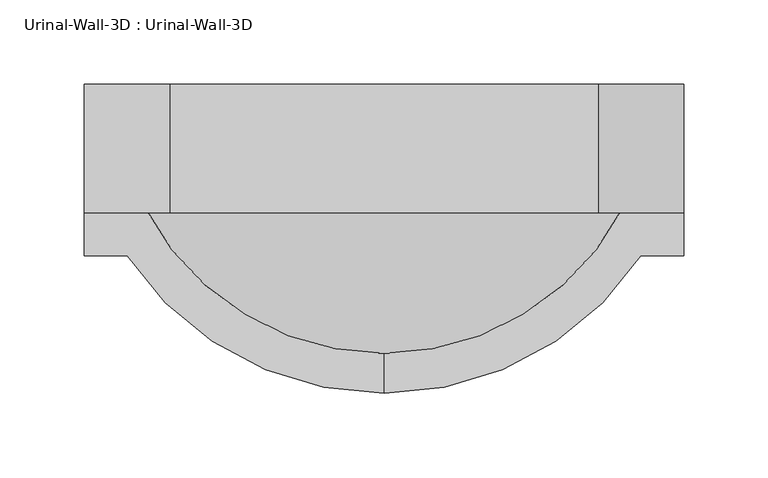
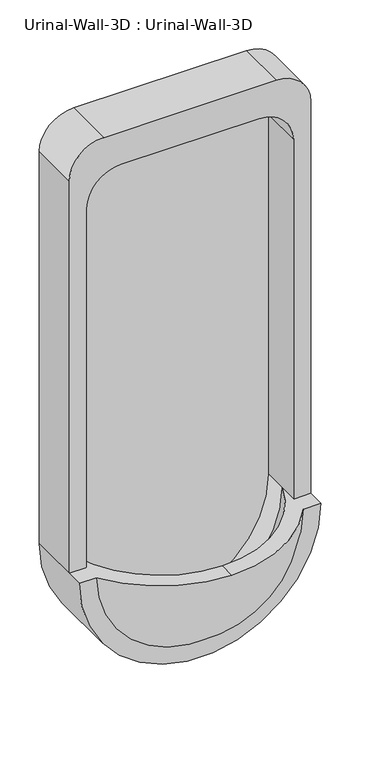
"""IFC4 building model written with IfcOpenShell, lengths in millimetres: flow terminal geometry, Urinal-Wall-3D : Urinal-Wall-3D."""

from ifc_helpers import new_model, si_unit, point, frame, origin, place, context, project, spatial, polyline, circle_curve, ellipse_curve, trimmed, source, transform, mapped, element, save
from ifc_brep_helpers import plane_surface, cylinder_surface, revolved_surface, advanced_brep


def urinal_wall_3d_urinal_wall_3d_4de3f5ba(model_context):
    return source(origin(), model_context, "Body", "AdvancedBrep", [
        advanced_brep(
        [(-109.0745999, -245.0745048, 609.6), (43.3254001, -163.5125, 609.6), (68.7254001, -163.5125, 609.6), (68.7254001, -138.1125, 609.6), (43.3254001, -138.1125, 609.6), (43.3254001, -108.7831063, 609.6), (-109.0745999, -221.3572043, 609.6), (-261.4745999, -108.7831063, 609.6), (-261.4745999, -138.1125, 609.6), (-286.8745999, -138.1125, 609.6), (-286.8745999, -163.5125, 609.6), (-261.4745999, -163.5125, 609.6), (43.3254001, -74.6125, 609.6), (-261.4745999, -74.6125, 609.6), (-286.8745999, -61.9125, 609.6), (-286.8745999, -61.9125, 1219.2), (-236.0745999, -61.9125, 1270.0), (17.9254001, -61.9125, 1270.0), (68.7254001, -61.9125, 1219.2), (68.7254001, -61.9125, 609.6), (68.7254001, -138.1125, 1219.2), (17.9254001, -138.1125, 1270.0), (-236.0745999, -138.1125, 1270.0), (-286.8745999, -138.1125, 1219.2), (-261.4745999, -138.1125, 1168.4), (-210.6745999, -138.1125, 1219.2), (-7.4745999, -138.1125, 1219.2), (43.3254001, -138.1125, 1168.4), (43.3254001, -74.6125, 1168.4), (-7.4745999, -74.6125, 1219.2), (-210.6745999, -74.6125, 1219.2), (-261.4745999, -74.6125, 1168.4)],
        [
            (0, 1, circle_curve(frame((-109.0745999, -61.9125, 609.6), z_axis=(0.0, 0.0, 1.0), x_axis=(1.0, 0.0, 0.0)), 183.1620048)),
            (1, 2),
            (2, 3),
            (3, 4),
            (4, 5),
            (5, 6, circle_curve(frame((-109.0745999, -61.9125, 609.6), z_axis=(0.0, 0.0, -1.0), x_axis=(1.0, 0.0, 0.0)), 159.4447043)),
            (6, 0),
            (6, 7, circle_curve(frame((-109.0745999, -61.9125, 609.6), z_axis=(0.0, 0.0, -1.0), x_axis=(-1.0, 0.0, 0.0)), 159.4447043)),
            (7, 8),
            (8, 9),
            (9, 10),
            (10, 11),
            (11, 0, circle_curve(frame((-109.0745999, -61.9125, 609.6), z_axis=(0.0, 0.0, 1.0), x_axis=(-1.0, 0.0, 0.0)), 183.1620048)),
            (5, 7, circle_curve(frame((-109.0745999, -108.7831063, 609.6), z_axis=(0.0, 1.0, 0.0), x_axis=(1.0, 0.0, 0.0)), 152.4)),
            (5, 12),
            (12, 13, circle_curve(frame((-109.0745999, -74.6125, 609.6), z_axis=(0.0, 1.0, 0.0), x_axis=(1.0, 0.0, 0.0)), 152.4)),
            (13, 7),
            (14, 15),
            (15, 16, circle_curve(frame((-236.0745999, -61.9125, 1219.2), z_axis=(0.0, 1.0, 0.0), x_axis=(-1.0, 0.0, 0.0)), 50.8)),
            (16, 17),
            (17, 18, circle_curve(frame((17.9254001, -61.9125, 1219.2), z_axis=(0.0, 1.0, 0.0), x_axis=(-1.0, 0.0, 0.0)), 50.8)),
            (18, 19),
            (19, 14, circle_curve(frame((-109.0745999, -61.9125, 609.6), z_axis=(0.0, 1.0, 0.0), x_axis=(1.0, 0.0, 0.0)), 177.8)),
            (19, 3),
            (2, 10, circle_curve(frame((-109.0745999, -163.5125, 609.6), z_axis=(0.0, 1.0, 0.0), x_axis=(1.0, 0.0, 0.0)), 177.8)),
            (9, 14),
            (1, 11, circle_curve(frame((-109.0745999, -163.5125, 609.6), z_axis=(0.0, 1.0, 0.0), x_axis=(1.0, 0.0, 0.0)), 152.4)),
            (3, 20),
            (20, 21, circle_curve(frame((17.9254001, -138.1125, 1219.2), z_axis=(0.0, -1.0, 0.0), x_axis=(-1.0, 0.0, 0.0)), 50.8)),
            (21, 22),
            (22, 23, circle_curve(frame((-236.0745999, -138.1125, 1219.2), z_axis=(0.0, -1.0, 0.0), x_axis=(-1.0, 0.0, 0.0)), 50.8)),
            (23, 9),
            (8, 24),
            (24, 25, circle_curve(frame((-210.6745999, -138.1125, 1168.4), z_axis=(0.0, 1.0, 0.0), x_axis=(-1.0, 0.0, 0.0)), 50.8)),
            (25, 26),
            (26, 27, circle_curve(frame((-7.4745999, -138.1125, 1168.4), z_axis=(0.0, 1.0, 0.0), x_axis=(-1.0, 0.0, 0.0)), 50.8)),
            (27, 4),
            (27, 28),
            (28, 12),
            (26, 29),
            (29, 28, circle_curve(frame((-7.4745999, -74.6125, 1168.4), z_axis=(0.0, 1.0, 0.0), x_axis=(-1.0, 0.0, 0.0)), 50.8)),
            (25, 30),
            (30, 29),
            (24, 31),
            (31, 30, circle_curve(frame((-210.6745999, -74.6125, 1168.4), z_axis=(0.0, 1.0, 0.0), x_axis=(-1.0, 0.0, 0.0)), 50.8)),
            (13, 31),
            (23, 15),
            (22, 16),
            (21, 17),
            (20, 18),
        ],
        [
            plane_surface(frame((-109.0745999, -351.1229173, 609.6), z_axis=(0.0, 0.0, 1.0), x_axis=(1.0, 0.0, 0.0))),
            plane_surface(frame((-109.0745999, -351.1229173, 609.6), z_axis=(0.0, 0.0, 1.0), x_axis=(-1.0, 0.0, 0.0))),
            revolved_surface(trimmed(ellipse_curve(frame((-109.0745999, -61.9125, 609.6), z_axis=(0.0, 0.0, 1.0), x_axis=(1.0, 0.0, 0.0)), 159.4447043, 159.4447043), [point((-109.0745999, -221.3572043, 609.6))], [point((43.3254001, -108.7831063, 609.6))], True, "CARTESIAN"), (-109.0745999, -351.1229173, 609.6), (0.0, -1.0, 0.0)),
            revolved_surface(polyline([(43.32540010000001, -108.78310629999999, 609.6), (43.32540010000001, -74.61250000000001, 609.6)]), (-109.0745999, -351.1229173, 609.6), (0.0, -1.0, 0.0)),
            plane_surface(frame((-109.0745999, -61.9125, 609.6), z_axis=(0.0, 1.0, 0.0), x_axis=(1.0, 0.0, 0.0))),
            cylinder_surface(frame((-109.0745999, -351.1229173, 609.6), z_axis=(0.0, -1.0, 0.0), x_axis=(1.0, 0.0, 0.0)), 177.8),
            plane_surface(frame((-109.0745999, -163.5125, 609.6), z_axis=(0.0, -1.0, 0.0), x_axis=(1.0, 0.0, 0.0))),
            revolved_surface(trimmed(ellipse_curve(frame((-109.0745999, -61.9125, 609.6), z_axis=(0.0, 0.0, -1.0), x_axis=(1.0, 0.0, 0.0)), 183.1620048, 183.1620048), [point((43.3254001, -163.5125, 609.6))], [point((-109.0745999, -245.0745048, 609.6))], True, "CARTESIAN"), (-109.0745999, -351.1229173, 609.6), (0.0, -1.0, 0.0)),
            plane_surface(frame((43.3254001, -138.1125, 609.6), z_axis=(0.0, -1.0, 0.0), x_axis=(0.0, 0.0, 1.0))),
            plane_surface(frame((43.3254001, -138.1125, 609.6), z_axis=(-1.0, 0.0, 0.0), x_axis=(0.0, 1.0, 0.0))),
            revolved_surface(polyline([(-58.2745999, -74.6125, 1168.4), (-58.2745999, -138.1125, 1168.4)]), (-7.4745999, -61.9125, 1168.4), (0.0, 1.0, 0.0)),
            plane_surface(frame((-7.4745999, -138.1125, 1219.2), z_axis=(0.0, 0.0, -1.0), x_axis=(0.0, 1.0, 0.0))),
            revolved_surface(polyline([(-261.4745999, -74.6125, 1168.4), (-261.4745999, -138.1125, 1168.4)]), (-210.6745999, -61.9125, 1168.4), (0.0, 1.0, 0.0)),
            plane_surface(frame((-261.4745999, -138.1125, 1168.4), z_axis=(1.0, 0.0, 0.0), x_axis=(0.0, 1.0, 0.0))),
            plane_surface(frame((-286.8745999, -138.1125, 609.6), z_axis=(-1.0, 0.0, 0.0), x_axis=(0.0, 1.0, 0.0))),
            cylinder_surface(frame((-236.0745999, -61.9125, 1219.2), z_axis=(0.0, -1.0, 0.0), x_axis=(-1.0, 0.0, 0.0)), 50.8),
            plane_surface(frame((-236.0745999, -138.1125, 1270.0), z_axis=(0.0, 0.0, 1.0), x_axis=(0.0, 1.0, 0.0))),
            cylinder_surface(frame((17.9254001, -61.9125, 1219.2), z_axis=(0.0, -1.0, 0.0), x_axis=(-1.0, 0.0, 0.0)), 50.8),
            plane_surface(frame((68.7254001, -138.1125, 1219.2), z_axis=(1.0, 0.0, 0.0), x_axis=(0.0, 1.0, 0.0))),
            plane_surface(frame((43.3254001, -74.6125, 609.6), z_axis=(0.0, -1.0, 0.0), x_axis=(0.0, 0.0, -1.0))),
        ],
        [
            (0, [[1, 2, 3, 4, 5, 6, 7]]),
            (1, [[8, 9, 10, 11, 12, 13, -7]]),
            (2, [[14, -8, -6]]),
            (3, [[15, 16, 17, -14]]),
            (4, [[18, 19, 20, 21, 22, 23]]),
            (5, [[24, -3, 25, -11, 26, -23]]),
            (6, [[27, -12, -25, -2]]),
            (7, [[-13, -27, -1]]),
            (8, [[-4, 28, 29, 30, 31, 32, -10, 33, 34, 35, 36, 37]]),
            (9, [[38, 39, -15, -5, -37]]),
            (10, [[40, 41, -38, -36]]),
            (11, [[42, 43, -40, -35]]),
            (12, [[44, 45, -42, -34]]),
            (13, [[-9, -17, 46, -44, -33]]),
            (14, [[47, -18, -26, -32]]),
            (15, [[48, -19, -47, -31]]),
            (16, [[49, -20, -48, -30]]),
            (17, [[50, -21, -49, -29]]),
            (18, [[-24, -22, -50, -28]]),
            (19, [[-39, -41, -43, -45, -46, -16]]),
        ],
    ),
    ])


if __name__ == "__main__":
    model = new_model("IFC4")
    model_context = context("Model", 3, world=origin())
    ifc_project = project(units=[si_unit("LENGTHUNIT", "METRE", prefix="MILLI")], contexts=[model_context])
    site = spatial("IfcSite", under=ifc_project)
    building = spatial("IfcBuilding", under=site)
    placement = place(None, origin())
    urinal_wall_3d_urinal_wall_3d_shape = urinal_wall_3d_urinal_wall_3d_4de3f5ba(model_context)
    element("IfcFlowTerminal", 1, ObjectType="Urinal-Wall-3D : Urinal-Wall-3D", at=placement, inside=building, context=model_context, shape_type="MappedRepresentation", body=[
        mapped(urinal_wall_3d_urinal_wall_3d_shape, transform((0.0, 0.0, 0.0), x_axis=(1.0, 0.0, 0.0), y_axis=(0.0, 1.0, 0.0), z_axis=(0.0, 0.0, 1.0))),
    ])
    save(model, "model.ifc")
